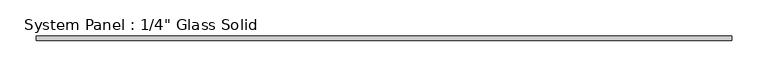
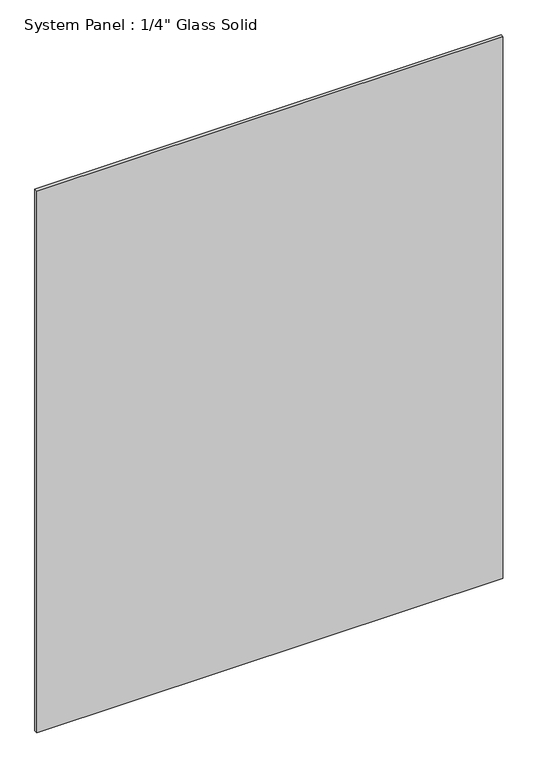
"""IFC4 building model written with IfcOpenShell, lengths in millimetres: plate geometry."""

import ifcopenshell
import ifcopenshell.guid

model = None  # the IFC model being written
_history = None  # IfcOwnerHistory: only IFC2X3 demands one
_inside = {}  # id of a spatial element -> (the spatial element, [elements in it])
_under = {}  # id of a project, library or spatial element -> (it, [spatial elements below it])
_declared = {}  # id of a project -> (the project, [libraries it declares])
_typed = {}  # id of a type object -> (the type object, [elements of that type])
_made_of = {}  # id of a material, layer set ... -> (it, [elements and type objects made of it])


def new_model(schema):
    """Start an empty IFC model of exactly this schema.

    Asked for "IFC4X3", IfcOpenShell would pick the latest addendum, in which some entities
    have other attributes; the version numbers below select the first issue.
    IFC2X3 requires an IfcOwnerHistory on every rooted entity: one is made here for all.
    """
    global model, _history
    if schema == "IFC4X3":
        model = ifcopenshell.file(schema_version=(4, 3, 0, 0))
    else:
        model = ifcopenshell.file(schema=schema)
    _inside.clear()
    _under.clear()
    _declared.clear()
    _typed.clear()
    _made_of.clear()
    _history = None
    if model.schema == "IFC2X3":
        org = make("IfcOrganization", Name="unknown")
        user = make(
            "IfcPersonAndOrganization",
            ThePerson=make("IfcPerson", FamilyName="unknown"),
            TheOrganization=org,
        )
        app = make(
            "IfcApplication",
            ApplicationDeveloper=org,
            Version="unknown",
            ApplicationFullName="unknown",
            ApplicationIdentifier="unknown",
        )
        _history = make(
            "IfcOwnerHistory",
            OwningUser=user,
            OwningApplication=app,
            ChangeAction="ADDED",
            CreationDate=0,
        )
    return model


def make(cls, **values):
    """One entity of the class cls with the attributes given. An attribute that is None is left unset."""
    return model.create_entity(
        cls, **{name: value for name, value in values.items() if value is not None}
    )


def rooted(cls, **values):
    """An entity with a GlobalId (a new one), such as an element, a storey or a relation."""
    return make(cls, GlobalId=ifcopenshell.guid.new(), OwnerHistory=_history, **values)


def si_unit(unit_type, name, prefix=None):
    """IfcSIUnit, for example si_unit("LENGTHUNIT", "METRE", prefix="MILLI")."""
    return make("IfcSIUnit", UnitType=unit_type, Prefix=prefix, Name=name)


def assignment(units):
    """IfcUnitAssignment: the units of a project."""
    return None if units is None else make("IfcUnitAssignment", Units=units)


def point(xyz):
    """IfcCartesianPoint."""
    return None if xyz is None else make("IfcCartesianPoint", Coordinates=xyz)


def direction(xyz):
    """IfcDirection."""
    return None if xyz is None else make("IfcDirection", DirectionRatios=xyz)


def frame(location, z_axis=None, x_axis=None):
    """IfcAxis2Placement3D, a coordinate frame: its origin and axes. An axis left out is left unset."""
    return make(
        "IfcAxis2Placement3D",
        Location=point(location),
        Axis=direction(z_axis),
        RefDirection=direction(x_axis),
    )


def origin():
    """The frame at (0, 0, 0) with its axes left unset."""
    return frame((0.0, 0.0, 0.0))


def origin_with_axes():
    """The frame at (0, 0, 0) with the z axis (0, 0, 1) and the x axis (1, 0, 0) written out."""
    return frame((0.0, 0.0, 0.0), z_axis=(0.0, 0.0, 1.0), x_axis=(1.0, 0.0, 0.0))


def place(relative_to, where):
    """IfcLocalPlacement: puts the frame where relative to a parent placement (None: the world)."""
    return make(
        "IfcLocalPlacement", PlacementRelTo=relative_to, RelativePlacement=where
    )


def context(
    kind, dimensions, precision=None, world=None, true_north=None, identifier=None
):
    """IfcGeometricRepresentationContext, for example the 3D "Model" context."""
    return make(
        "IfcGeometricRepresentationContext",
        ContextIdentifier=identifier,
        ContextType=kind,
        CoordinateSpaceDimension=dimensions,
        Precision=precision,
        WorldCoordinateSystem=world,
        TrueNorth=true_north,
    )


def project(units=None, contexts=None):
    """IfcProject with its units and contexts."""
    return rooted(
        "IfcProject",
        Name="project",
        RepresentationContexts=contexts,
        UnitsInContext=assignment(units),
    )


def spatial(cls, under=None, at=None, **own):
    """A site, building, storey or space (cls), placed at a placement, below another one or the project."""
    s = rooted(cls, ObjectPlacement=at, **own)
    if under is not None:
        _under.setdefault(under.id(), (under, []))[1].append(s)
    return s


def polyline(points):
    """IfcPolyline through the points."""
    return make("IfcPolyline", Points=[point(p) for p in points])


def outline(outer, holes=None, kind="AREA"):
    """IfcArbitraryClosedProfileDef: a profile drawn as a closed curve; with holes, ...WithVoids."""
    if holes is None:
        return make("IfcArbitraryClosedProfileDef", ProfileType=kind, OuterCurve=outer)
    return make(
        "IfcArbitraryProfileDefWithVoids",
        ProfileType=kind,
        OuterCurve=outer,
        InnerCurves=holes,
    )


def extrude(swept, where, along, depth):
    """IfcExtrudedAreaSolid: the profile swept, set in the frame where, extruded along a direction by depth."""
    return make(
        "IfcExtrudedAreaSolid",
        SweptArea=swept,
        Position=where,
        ExtrudedDirection=direction(along),
        Depth=depth,
    )


def shape(context_of_items, identifier, shape_type, items):
    """IfcShapeRepresentation: the items that make up one representation, for example the "Body"."""
    return make(
        "IfcShapeRepresentation",
        ContextOfItems=context_of_items,
        RepresentationIdentifier=identifier,
        RepresentationType=shape_type,
        Items=items,
    )


def source(mapping_origin, context_of_items, identifier, shape_type, items):
    """IfcRepresentationMap: a shape defined once, which mapped items show again and again."""
    return make(
        "IfcRepresentationMap",
        MappingOrigin=mapping_origin,
        MappedRepresentation=shape(context_of_items, identifier, shape_type, items),
    )


def transform(
    local_origin,
    x_axis=None,
    y_axis=None,
    z_axis=None,
    scale=None,
    scale2=None,
    scale3=None,
    uniform=True,
):
    """IfcCartesianTransformationOperator3D, or its non-uniform kind. x_axis, y_axis, z_axis: its Axis1, 2, 3."""
    if uniform:
        return make(
            "IfcCartesianTransformationOperator3D",
            Axis1=direction(x_axis),
            Axis2=direction(y_axis),
            LocalOrigin=point(local_origin),
            Scale=scale,
            Axis3=direction(z_axis),
        )
    return make(
        "IfcCartesianTransformationOperator3DnonUniform",
        Axis1=direction(x_axis),
        Axis2=direction(y_axis),
        LocalOrigin=point(local_origin),
        Scale=scale,
        Axis3=direction(z_axis),
        Scale2=scale2,
        Scale3=scale3,
    )


def mapped(mapping_source, mapping_target):
    """IfcMappedItem: shows the shape of a source again, moved by a transform."""
    return make(
        "IfcMappedItem", MappingSource=mapping_source, MappingTarget=mapping_target
    )


def made_of(thing, what):
    """Note that an element or type object is made of a material, layer set ...; save() writes the relation."""
    if what is not None:
        _made_of.setdefault(what.id(), (what, []))[1].append(thing)
    return thing


def element(
    cls,
    number,
    at=None,
    inside=None,
    cuts=None,
    type_object=None,
    material=None,
    context=None,
    identifier="Body",
    shape_type=None,
    held_by="IfcProductDefinitionShape",
    body=None,
    shapes=None,
    **own,
):
    """One element of the class cls, such as IfcWall. Its Tag is "e" and its number.

    at: its placement. inside: the storey or other place that contains it. cuts: it is an
    opening in that element (IfcRelVoidsElement). A single representation is given by context,
    identifier, shape_type and body (its items); several are given by shapes. held_by: the class
    of the entity that holds the representations. save() writes the other relations.
    """
    e = rooted(cls, Tag="e%d" % number, ObjectPlacement=at, **own)
    if body is not None:
        shapes = [shape(context, identifier, shape_type, body)]
    if shapes is not None:
        e.Representation = make(held_by, Representations=shapes)
    if inside is not None:
        _inside.setdefault(inside.id(), (inside, []))[1].append(e)
    if cuts is not None:
        rooted(
            "IfcRelVoidsElement", RelatingBuildingElement=cuts, RelatedOpeningElement=e
        )
    if type_object is not None:
        _typed.setdefault(type_object.id(), (type_object, []))[1].append(e)
    return made_of(e, material)


def aggregate(whole, parts):
    """IfcRelAggregates: a whole, such as a stair, and the parts it consists of."""
    return rooted("IfcRelAggregates", RelatingObject=whole, RelatedObjects=parts)


def save(model, path):
    """Write the relations noted so far, then the file.

    IfcRelAggregates (storeys below a building ...), IfcRelContainedInSpatialStructure (elements
    in a storey), IfcRelDefinesByType, IfcRelAssociatesMaterial and IfcRelDeclares: one each for
    every whole, place, type object, material and project.
    """
    for whole, parts in _under.values():
        aggregate(whole, parts)
    for where, things in _inside.values():
        rooted(
            "IfcRelContainedInSpatialStructure",
            RelatedElements=things,
            RelatingStructure=where,
        )
    for kind, things in _typed.values():
        rooted("IfcRelDefinesByType", RelatedObjects=things, RelatingType=kind)
    for what, things in _made_of.values():
        rooted("IfcRelAssociatesMaterial", RelatedObjects=things, RelatingMaterial=what)
    for by, libraries in _declared.values():
        rooted("IfcRelDeclares", RelatingContext=by, RelatedDefinitions=libraries)
    model.write(path)


def plate_8c8a3d69(model_context):
    return source(origin(), model_context, "Body", "SweptSolid", [
        extrude(outline(polyline([(480.4345691, -3.175), (-480.4345691, -3.175), (-480.4345691, 3.175), (480.4345691, 3.175), (480.4345691, -3.175)])), origin_with_axes(), (0.0, 0.0, 1.0), 1181.100254),
    ])


if __name__ == "__main__":
    model = new_model("IFC4")
    model_context = context("Model", 3, world=origin())
    ifc_project = project(units=[si_unit("LENGTHUNIT", "METRE", prefix="MILLI")], contexts=[model_context])
    site = spatial("IfcSite", under=ifc_project)
    building = spatial("IfcBuilding", under=site)
    placement = place(None, origin())
    plate_shape = plate_8c8a3d69(model_context)
    element("IfcPlate", 1, ObjectType="System Panel : 1/4\" Glass Solid", at=placement, inside=building, context=model_context, shape_type="MappedRepresentation", body=[
        mapped(plate_shape, transform((0.0, 0.0, 0.0), x_axis=(1.0, 0.0, 0.0), y_axis=(0.0, 1.0, 0.0), z_axis=(0.0, 0.0, 1.0))),
    ])
    save(model, "model.ifc")
